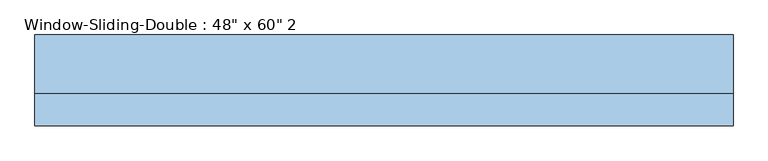
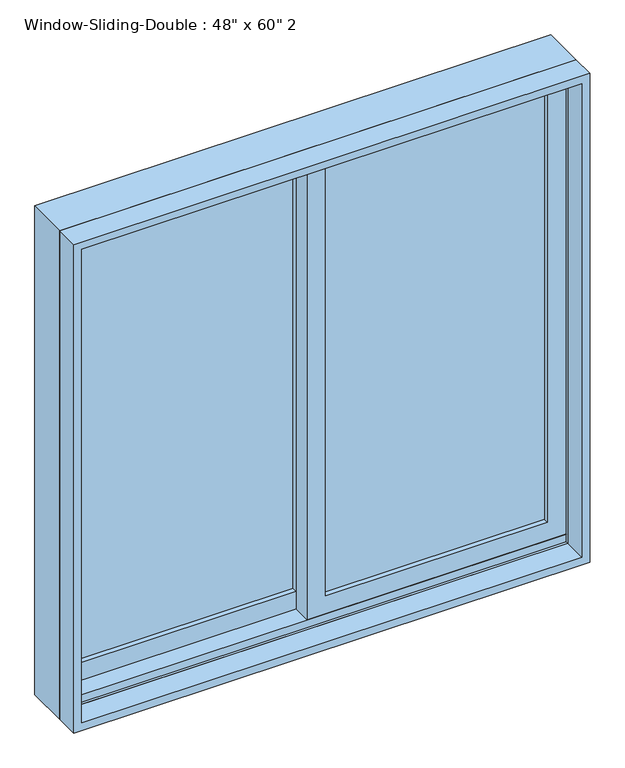
"""IFC4 building model written with IfcOpenShell, lengths in millimetres: window geometry."""

from ifc_helpers import new_model, si_unit, frame, origin, place, context, project, spatial, polyline, outline, extrude, faceted_brep, source, transform, mapped, element, save


def window_518d916c(model_context):
    return source(origin(), model_context, "Body", "SolidModel", [
        faceted_brep([(-609.6, -16.51, 914.4), (-609.6, 85.09, 914.4), (609.6, 85.09, 914.4), (609.6, -16.51, 914.4), (-568.6778905, 85.09, 2092.6778905), (-568.6778905, 78.74, 2092.6778905), (-568.6778905, 78.74, 933.45), (-568.6778905, 85.09, 933.45), (568.6778905, 78.74, 2092.6778905), (568.6778905, 78.74, 933.45), (590.55, 78.74, 933.45), (590.55, 78.74, 2114.55), (-590.55, 78.74, 2114.55), (-590.55, 78.74, 933.45), (-590.55, -16.51, 2114.55), (-590.55, -16.51, 933.45), (-590.55, -10.16, 933.45), (-590.55, -10.16, 952.5), (-590.55, 34.29, 952.5), (-590.55, 34.29, 933.45), (609.6, -16.51, 2133.6), (-609.6, -16.51, 2133.6), (590.55, -16.51, 2114.55), (590.55, -16.51, 933.45), (-609.6, 85.09, 2133.6), (609.6, 85.09, 2133.6), (568.6778905, 85.09, 933.45), (568.6778905, 85.09, 2092.6778905), (590.55, 34.29, 933.45), (590.55, 34.29, 952.5), (590.55, -10.16, 952.5), (590.55, -10.16, 933.45)], [[[0, 1, 2, 3]], [[4, 5, 6, 7]], [[5, 8, 9, 10, 11, 12, 13, 6]], [[12, 14, 15, 16, 17, 18, 19, 13]], [[0, 3, 20, 21], [22, 23, 15, 14]], [[24, 1, 0, 21]], [[2, 1, 24, 25], [4, 7, 26, 27]], [[5, 4, 27, 8]], [[12, 11, 22, 14]], [[21, 20, 25, 24]], [[8, 27, 26, 9]], [[22, 11, 10, 28, 29, 30, 31, 23]], [[20, 3, 2, 25]], [[26, 7, 6, 13, 19, 28, 10, 9]], [[28, 19, 18, 29]], [[29, 18, 17, 30]], [[30, 17, 16, 31]], [[15, 23, 31, 16]]]),
        extrude(outline(polyline([(2133.6, -609.6), (914.4, -609.6), (914.4, 609.6), (2133.6, 609.6), (2133.6, -609.6)]), holes=[polyline([(2114.55, 590.55), (933.45, 590.55), (933.45, -590.55), (2114.55, -590.55), (2114.55, 590.55)])]), frame((0.0, -73.66, 0.0), z_axis=(0.0, 1.0, 0.0), x_axis=(0.0, 0.0, 1.0)), (0.0, 0.0, 1.0), 57.15),
        extrude(outline(polyline([(546.1, 21.59), (546.1, 15.24), (22.225, 15.24), (22.225, 21.59), (546.1, 21.59)])), frame((0.0, 0.0, 996.95), z_axis=(0.0, 0.0, 1.0), x_axis=(1.0, 0.0, 0.0)), (0.0, 0.0, 1.0), 1073.15),
        extrude(outline(polyline([(546.1, 8.89), (546.1, 2.54), (22.225, 2.54), (22.225, 8.89), (546.1, 8.89)])), frame((0.0, 0.0, 996.95), z_axis=(0.0, 0.0, 1.0), x_axis=(1.0, 0.0, 0.0)), (0.0, 0.0, 1.0), 1073.15),
        extrude(outline(polyline([(-22.225, 66.04), (-22.225, 59.69), (-546.1, 59.69), (-546.1, 66.04), (-22.225, 66.04)])), frame((0.0, 0.0, 996.95), z_axis=(0.0, 0.0, 1.0), x_axis=(1.0, 0.0, 0.0)), (0.0, 0.0, 1.0), 1073.15),
        extrude(outline(polyline([(-22.225, 53.34), (-22.225, 46.99), (-546.1, 46.99), (-546.1, 53.34), (-22.225, 53.34)])), frame((0.0, 0.0, 996.95), z_axis=(0.0, 0.0, 1.0), x_axis=(1.0, 0.0, 0.0)), (0.0, 0.0, 1.0), 1073.15),
        extrude(outline(polyline([(933.45, -590.55), (933.45, 22.225), (2114.55, 22.225), (2114.55, -590.55), (933.45, -590.55)]), holes=[polyline([(2070.1, -22.225), (996.95, -22.225), (996.95, -546.1), (2070.1, -546.1), (2070.1, -22.225)])]), frame((0.0, 34.29, 0.0), z_axis=(0.0, 1.0, 0.0), x_axis=(0.0, 0.0, 1.0)), (0.0, 0.0, 1.0), 44.45),
        extrude(outline(polyline([(952.5, 590.55), (2114.55, 590.55), (2114.55, -22.225), (952.5, -22.225), (952.5, 590.55)]), holes=[polyline([(996.95, 22.225), (2070.1, 22.225), (2070.1, 546.1), (996.95, 546.1), (996.95, 22.225)])]), frame((0.0, -10.16, 0.0), z_axis=(0.0, 1.0, 0.0), x_axis=(0.0, 0.0, 1.0)), (0.0, 0.0, 1.0), 44.45),
    ])


if __name__ == "__main__":
    model = new_model("IFC4")
    model_context = context("Model", 3, world=origin())
    ifc_project = project(units=[si_unit("LENGTHUNIT", "METRE", prefix="MILLI")], contexts=[model_context])
    site = spatial("IfcSite", under=ifc_project)
    building = spatial("IfcBuilding", under=site)
    placement = place(None, origin())
    window_shape = window_518d916c(model_context)
    element("IfcWindow", 1, ObjectType="Window-Sliding-Double : 48\" x 60\" 2", at=placement, inside=building, context=model_context, shape_type="MappedRepresentation", body=[
        mapped(window_shape, transform((0.0, 0.0, 0.0), x_axis=(1.0, 0.0, 0.0), y_axis=(0.0, 1.0, 0.0), z_axis=(0.0, 0.0, 1.0))),
    ])
    save(model, "model.ifc")
